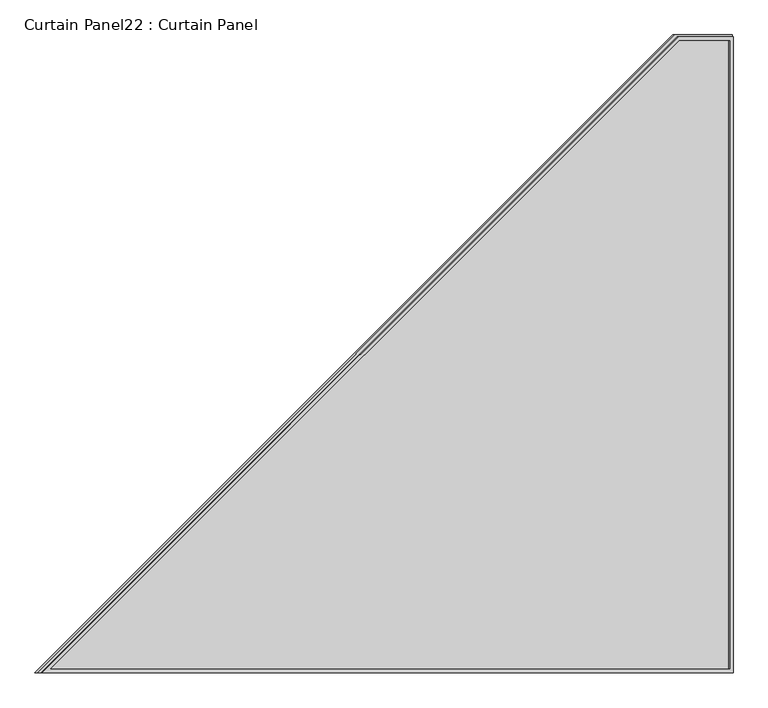
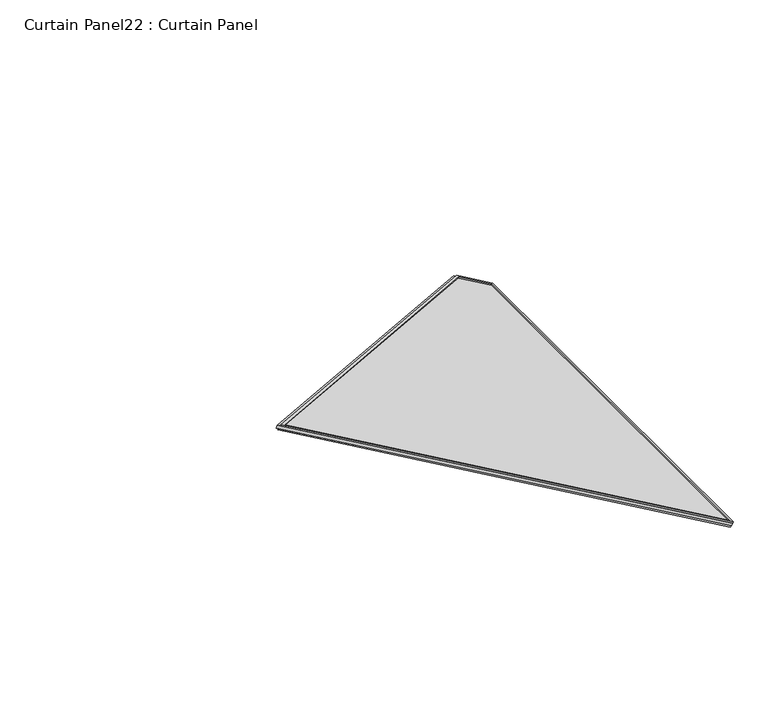
"""IFC4 building model written with IfcOpenShell, lengths in millimetres: plate geometry, Curtain Panel22 : Curtain Panel."""

from ifc_helpers import new_model, si_unit, frame, origin, place, context, project, spatial, polyline, outline, extrude, source, transform, mapped, element, save


def curtain_panel22_curtain_panel_c84a54e2(model_context):
    return source(origin(), model_context, "Body", "SweptSolid", [
        extrude(outline(polyline([(179.7961835, -1798.8115894), (0.0, -1798.8115894), (0.0, 0.0), (2256.8848942, 0.0), (179.7961835, -1798.8115894)]), holes=[polyline([(2227.0445961, -11.1252), (11.1252001, -11.1252), (11.1252001, -1787.6863894), (175.6484342, -1787.6863894), (2227.0445961, -11.1252)])]), frame((15548.2373946, 12582.6279755, 910.1150826), z_axis=(0.5000000000000028, 0.0, 0.8660254037844372), x_axis=(-0.8660254037844372, 0.0, 0.5000000000000028)), (0.0, 0.0, 1.0), 4.8594873),
        extrude(outline(polyline([(179.7961835, -1798.8115894), (0.0, -1798.8115894), (0.0, 0.0), (2256.8848942, 0.0), (179.7961835, -1798.8115894)]), holes=[polyline([(2227.044596, -11.1252), (11.1252, -11.1252), (11.1252, -1787.6863894), (175.6484342, -1787.6863894), (2227.044596, -11.1252)])]), frame((15556.9584946, 12582.6279755, 925.2204709), z_axis=(0.5000000000000026, 0.0, 0.8660254037844373), x_axis=(-0.8660254037844373, 0.0, 0.5000000000000026)), (0.0, 0.0, 1.0), 5.0367999),
        extrude(outline(polyline([(12.7, 0.0), (1816.1, 0.0), (1816.1, -2269.2368914), (12.7, -186.8499405), (12.7, 0.0)])), frame((15550.6671382, 14398.7279755, 914.323522), z_axis=(0.49999999999999867, 0.0, 0.8660254037844395), x_axis=(0.0, -1.0, 0.0)), (0.0, 0.0, 1.0), 12.5827128),
    ])


if __name__ == "__main__":
    model = new_model("IFC4")
    model_context = context("Model", 3, world=origin())
    ifc_project = project(units=[si_unit("LENGTHUNIT", "METRE", prefix="MILLI")], contexts=[model_context])
    site = spatial("IfcSite", under=ifc_project)
    building = spatial("IfcBuilding", under=site)
    placement = place(None, origin())
    curtain_panel22_curtain_panel_shape = curtain_panel22_curtain_panel_c84a54e2(model_context)
    element("IfcPlate", 1, ObjectType="Curtain Panel22 : Curtain Panel", at=placement, inside=building, context=model_context, shape_type="MappedRepresentation", body=[
        mapped(curtain_panel22_curtain_panel_shape, transform((0.0, 0.0, 0.0), x_axis=(1.0, 0.0, 0.0), y_axis=(0.0, 1.0, 0.0), z_axis=(0.0, 0.0, 1.0))),
    ])
    save(model, "model.ifc")
